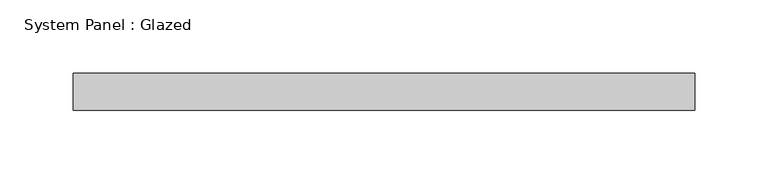
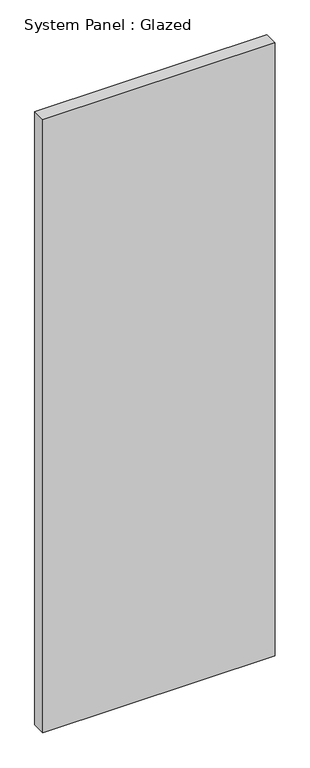
"""IFC4 building model written with IfcOpenShell, lengths in millimetres: plate geometry, System Panel : Glazed."""

from ifc_helpers import new_model, si_unit, origin, origin_with_axes, place, context, project, spatial, polyline, outline, extrude, source, transform, mapped, element, save


def system_panel_glazed_f2cbeae3(model_context):
    return source(origin(), model_context, "Body", "SweptSolid", [
        extrude(outline(polyline([(212.725, -12.7), (-212.725, -12.7), (-212.725, 12.7), (212.725, 12.7), (212.725, -12.7)])), origin_with_axes(), (0.0, 0.0, 1.0), 1187.45),
    ])


if __name__ == "__main__":
    model = new_model("IFC4")
    model_context = context("Model", 3, world=origin())
    ifc_project = project(units=[si_unit("LENGTHUNIT", "METRE", prefix="MILLI")], contexts=[model_context])
    site = spatial("IfcSite", under=ifc_project)
    building = spatial("IfcBuilding", under=site)
    placement = place(None, origin())
    system_panel_glazed_shape = system_panel_glazed_f2cbeae3(model_context)
    element("IfcPlate", 1, ObjectType="System Panel : Glazed", at=placement, inside=building, context=model_context, shape_type="MappedRepresentation", body=[
        mapped(system_panel_glazed_shape, transform((0.0, 0.0, 0.0), x_axis=(1.0, 0.0, 0.0), y_axis=(0.0, 1.0, 0.0), z_axis=(0.0, 0.0, 1.0))),
    ])
    save(model, "model.ifc")
